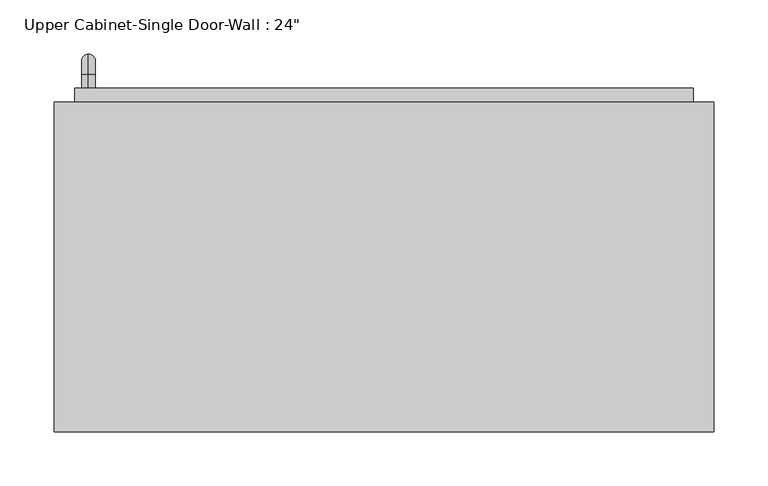
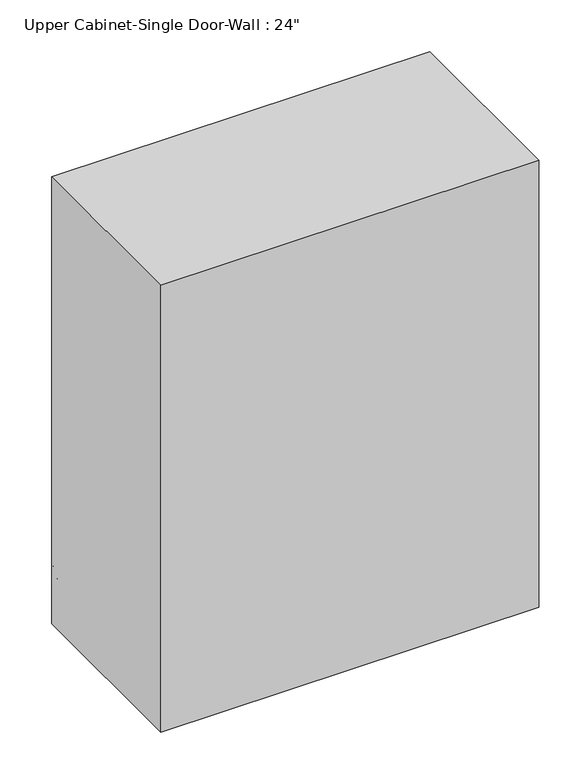
"""IFC4 building model written with IfcOpenShell, lengths in millimetres: furniture geometry."""

from ifc_helpers import new_model, si_unit, point, frame, origin, place, context, project, spatial, polyline, circle_curve, ellipse_curve, trimmed, outline, extrude, faceted_brep, source, transform, mapped, element, save
from ifc_brep_helpers import plane_surface, cylinder_surface, revolved_surface, advanced_brep


def furniture_0425e8b4(model_context):
    return source(origin(), model_context, "Body", "SolidModel", [
        faceted_brep([(-275.0288372, 104.775, 2133.6), (-275.0288372, 104.775, 1371.6), (334.5711628, 104.775, 1371.6), (334.5711628, 104.775, 2133.6), (-275.0288372, 409.575, 2133.6), (334.5711628, 409.575, 2133.6), (334.5711628, 409.575, 1371.6), (-275.0288372, 409.575, 1371.6), (-255.9788372, 409.575, 2114.55), (-255.9788372, 409.575, 1390.65), (315.5211628, 409.575, 1390.65), (315.5211628, 409.575, 2114.55), (315.5211628, 123.825, 2114.55), (-255.9788372, 123.825, 2114.55), (315.5211628, 123.825, 1390.65), (-255.9788372, 123.825, 1390.65)], [[[0, 1, 2, 3]], [[4, 5, 6, 7], [8, 9, 10, 11]], [[1, 0, 4, 7]], [[2, 1, 7, 6]], [[3, 2, 6, 5]], [[0, 3, 5, 4]], [[8, 11, 12, 13]], [[11, 10, 14, 12]], [[10, 9, 15, 14]], [[9, 8, 13, 15]], [[13, 12, 14, 15]]]),
        advanced_brep(
        [(-243.2788372, 422.275, 1517.65), (-243.2788372, 422.275, 1530.35), (-243.2788372, 434.975, 1517.65), (-243.2788372, 434.975, 1530.35), (-243.2788372, 454.025, 1511.3), (-243.2788372, 441.325, 1511.3), (-243.2788372, 441.325, 1435.1), (-243.2788372, 454.025, 1435.1), (-243.2788372, 434.975, 1416.05), (-243.2788372, 434.975, 1428.75), (-243.2788372, 422.275, 1428.75), (-243.2788372, 422.275, 1416.05)],
        [
            (0, 1, circle_curve(frame((-243.2788372, 422.275, 1524.0), z_axis=(0.0, -1.0, 0.0), x_axis=(0.0, 0.0, 1.0)), 6.35)),
            (1, 0, circle_curve(frame((-243.2788372, 422.275, 1524.0), z_axis=(0.0, -1.0, 0.0), x_axis=(0.0, 0.0, 1.0)), 6.35)),
            (0, 2),
            (2, 3, circle_curve(frame((-243.2788372, 434.975, 1524.0), z_axis=(0.0, -1.0, 0.0), x_axis=(0.0, 0.0, 1.0)), 6.35)),
            (3, 1),
            (3, 2, circle_curve(frame((-243.2788372, 434.975, 1524.0), z_axis=(0.0, -1.0, 0.0), x_axis=(0.0, 0.0, 1.0)), 6.35)),
            (4, 3, circle_curve(frame((-243.2788372, 434.975, 1511.3), z_axis=(1.0, 0.0, 0.0), x_axis=(0.0, 0.0, 1.0)), 19.05)),
            (2, 5, circle_curve(frame((-243.2788372, 434.975, 1511.3), z_axis=(-1.0, 0.0, 0.0), x_axis=(0.0, 0.0, 1.0)), 6.35)),
            (5, 4, circle_curve(frame((-243.2788372, 447.675, 1511.3), z_axis=(0.0, 0.0, 1.0), x_axis=(0.0, 1.0, 0.0)), 6.35)),
            (4, 5, circle_curve(frame((-243.2788372, 447.675, 1511.3), z_axis=(0.0, 0.0, 1.0), x_axis=(0.0, 1.0, 0.0)), 6.35)),
            (5, 6),
            (6, 7, circle_curve(frame((-243.2788372, 447.675, 1435.1), z_axis=(0.0, 0.0, 1.0), x_axis=(0.0, 1.0, 0.0)), 6.35)),
            (7, 4),
            (7, 6, circle_curve(frame((-243.2788372, 447.675, 1435.1), z_axis=(0.0, 0.0, 1.0), x_axis=(0.0, 1.0, 0.0)), 6.35)),
            (8, 7, circle_curve(frame((-243.2788372, 434.975, 1435.1), z_axis=(1.0, 0.0, 0.0), x_axis=(0.0, 1.0, 0.0)), 19.05)),
            (6, 9, circle_curve(frame((-243.2788372, 434.975, 1435.1), z_axis=(-1.0, 0.0, 0.0), x_axis=(0.0, 1.0, 0.0)), 6.35)),
            (9, 8, circle_curve(frame((-243.2788372, 434.975, 1422.4), z_axis=(0.0, 1.0, 0.0), x_axis=(0.0, 0.0, -1.0)), 6.35)),
            (8, 9, circle_curve(frame((-243.2788372, 434.975, 1422.4), z_axis=(0.0, 1.0, 0.0), x_axis=(0.0, 0.0, -1.0)), 6.35)),
            (10, 11, circle_curve(frame((-243.2788372, 422.275, 1422.4), z_axis=(0.0, -1.0, 0.0), x_axis=(0.0, 0.0, -1.0)), 6.35)),
            (11, 10, circle_curve(frame((-243.2788372, 422.275, 1422.4), z_axis=(0.0, -1.0, 0.0), x_axis=(0.0, 0.0, -1.0)), 6.35)),
            (9, 10),
            (11, 8),
        ],
        [
            plane_surface(frame((-249.6288372, 422.275, 1524.0), z_axis=(0.0, -1.0, 0.0), x_axis=(0.0, 0.0, 1.0))),
            cylinder_surface(frame((-243.2788372, 422.275, 1524.0), z_axis=(0.0, -1.0, 0.0), x_axis=(0.0, 0.0, 1.0)), 6.35),
            revolved_surface(trimmed(ellipse_curve(frame((-243.2788372, 434.975, 1524.0), z_axis=(0.0, -1.0, 0.0), x_axis=(0.0, 0.0, 1.0)), 6.35, 6.35), [point((-243.2788372, 434.975, 1517.65))], [point((-243.2788372, 434.975, 1530.35))], True, "CARTESIAN"), (-243.2788372, 434.975, 1511.3), (-1.0, 0.0, 0.0)),
            revolved_surface(trimmed(ellipse_curve(frame((-243.2788372, 434.975, 1524.0), z_axis=(0.0, -1.0, 0.0), x_axis=(0.0, 0.0, 1.0)), 6.35, 6.35), [point((-243.2788372, 434.975, 1530.35))], [point((-243.2788372, 434.975, 1517.65))], True, "CARTESIAN"), (-243.2788372, 434.975, 1511.3), (-1.0, 0.0, 0.0)),
            cylinder_surface(frame((-243.2788372, 447.675, 1511.3), z_axis=(0.0, 0.0, 1.0), x_axis=(0.0, 1.0, 0.0)), 6.35),
            revolved_surface(trimmed(ellipse_curve(frame((-243.2788372, 447.675, 1435.1), z_axis=(0.0, 0.0, 1.0), x_axis=(0.0, 1.0, 0.0)), 6.35, 6.35), [point((-243.2788372, 441.325, 1435.1))], [point((-243.2788372, 454.025, 1435.1))], True, "CARTESIAN"), (-243.2788372, 434.975, 1435.1), (-1.0, 0.0, 0.0)),
            revolved_surface(trimmed(ellipse_curve(frame((-243.2788372, 447.675, 1435.1), z_axis=(0.0, 0.0, 1.0), x_axis=(0.0, 1.0, 0.0)), 6.35, 6.35), [point((-243.2788372, 454.025, 1435.1))], [point((-243.2788372, 441.325, 1435.1))], True, "CARTESIAN"), (-243.2788372, 434.975, 1435.1), (-1.0, 0.0, 0.0)),
            plane_surface(frame((-249.6288372, 422.275, 1422.4), z_axis=(0.0, -1.0, 0.0), x_axis=(0.0, 0.0, -1.0))),
            cylinder_surface(frame((-243.2788372, 434.975, 1422.4), z_axis=(0.0, 1.0, 0.0), x_axis=(0.0, 0.0, -1.0)), 6.35),
        ],
        [
            (0, [[1, 2]]),
            (1, [[-1, 3, 4, 5]]),
            (1, [[-2, -5, 6, -3]]),
            (2, [[7, -4, 8, 9]]),
            (3, [[-8, -6, -7, 10]]),
            (4, [[-9, 11, 12, 13]]),
            (4, [[-10, -13, 14, -11]]),
            (5, [[15, -12, 16, 17]]),
            (6, [[-16, -14, -15, 18]]),
            (7, [[19, 20]]),
            (8, [[-17, 21, -20, 22]]),
            (8, [[-18, -22, -19, -21]]),
        ],
    ),
        extrude(outline(polyline([(-255.9788372, 422.275), (315.5211628, 422.275), (315.5211628, 390.525), (-255.9788372, 390.525), (-255.9788372, 422.275)])), frame((0.0, 0.0, 1390.65), z_axis=(0.0, 0.0, 1.0), x_axis=(1.0, 0.0, 0.0)), (0.0, 0.0, 1.0), 723.9),
    ])


if __name__ == "__main__":
    model = new_model("IFC4")
    model_context = context("Model", 3, world=origin())
    ifc_project = project(units=[si_unit("LENGTHUNIT", "METRE", prefix="MILLI")], contexts=[model_context])
    site = spatial("IfcSite", under=ifc_project)
    building = spatial("IfcBuilding", under=site)
    placement = place(None, origin())
    furniture_shape = furniture_0425e8b4(model_context)
    element("IfcFurniture", 1, ObjectType="Upper Cabinet-Single Door-Wall : 24\"", at=placement, inside=building, context=model_context, shape_type="MappedRepresentation", body=[
        mapped(furniture_shape, transform((0.0, 0.0, 0.0), x_axis=(1.0, 0.0, 0.0), y_axis=(0.0, 1.0, 0.0), z_axis=(0.0, 0.0, 1.0))),
    ])
    save(model, "model.ifc")
